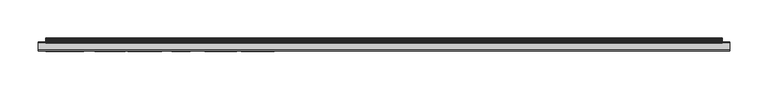
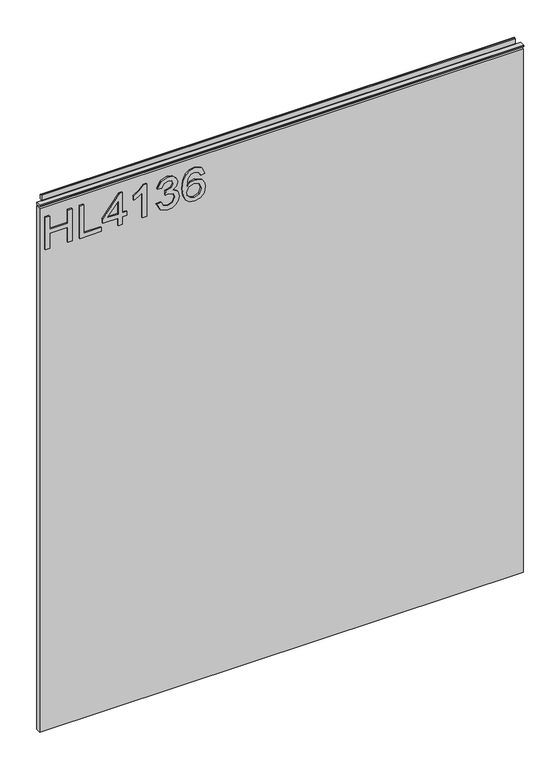
"""IFC4 building model written with IfcOpenShell, lengths in millimetres: furniture geometry."""

from ifc_helpers import new_model, si_unit, frame, origin, place, context, project, spatial, polyline, outline, extrude, source, transform, mapped, element, save


def furniture_76dd86c1(model_context):
    return source(origin(), model_context, "Body", "SweptSolid", [
        extrude(outline(polyline([(1053.0078, -288.5795281), (1053.0078, -280.6058085), (1082.9092486, -280.6058085), (1082.9092486, -246.7175001), (1053.0078, -246.7175001), (1053.0078, -238.7437805), (1116.7975569, -238.7437805), (1116.7975569, -246.7175001), (1090.8829682, -246.7175001), (1090.8829682, -280.6058085), (1116.7975569, -280.6058085), (1116.7975569, -288.5795281), (1053.0078, -288.5795281)])), frame((0.0, -5.6037602, 0.0), z_axis=(0.0, 1.0, 0.0), x_axis=(0.0, 0.0, 1.0)), (0.0, 0.0, 1.0), 2.38125),
        extrude(outline(polyline([(1053.0078, -224.7897712), (1053.0078, -184.9211731), (1060.9815196, -184.9211731), (1060.9815196, -216.8160515), (1116.7975569, -216.8160515), (1116.7975569, -224.7897712), (1053.0078, -224.7897712)])), frame((0.0, -5.6037602, 0.0), z_axis=(0.0, 1.0, 0.0), x_axis=(0.0, 0.0, 1.0)), (0.0, 0.0, 1.0), 2.38125),
        extrude(outline(polyline([(1053.0078, -153.0262946), (1053.0078, -145.052575), (1067.9585243, -145.052575), (1067.9585243, -137.0788554), (1075.9322439, -137.0788554), (1075.9322439, -145.052575), (1115.800842, -145.052575), (1115.800842, -151.0328647), (1075.9322439, -181.9310282), (1067.9585243, -181.9310282), (1067.9585243, -153.0262946), (1053.0078, -153.0262946)]), holes=[polyline([(1075.9322439, -153.0262946), (1075.9322439, -172.1196154), (1100.5697916, -153.0262946), (1075.9322439, -153.0262946)])]), frame((0.0, -5.6037602, 0.0), z_axis=(0.0, 1.0, 0.0), x_axis=(0.0, 0.0, 1.0)), (0.0, 0.0, 1.0), 2.38125),
        extrude(outline(polyline([(1053.0078, -100.2004021), (1116.7975569, -100.2004021), (1116.7975569, -105.3397136), (1108.3099062, -112.4335208), (1100.8501177, -124.121561), (1093.3124609, -124.121561), (1097.3382549, -115.7273522), (1102.7189582, -108.1741217), (1053.0078, -108.1741217), (1053.0078, -100.2004021)])), frame((0.0, -5.6037602, 0.0), z_axis=(0.0, 1.0, 0.0), x_axis=(0.0, 0.0, 1.0)), (0.0, 0.0, 1.0), 2.38125),
        extrude(outline(polyline([(1069.9519542, -81.262818), (1057.0102335, -74.9243339), (1052.011085, -60.9391772), (1053.4750101, -52.4164857), (1057.8667854, -45.5056691), (1064.3610063, -40.9270098), (1072.1322681, -39.40079), (1082.5043331, -42.4532296), (1087.955118, -51.1433381), (1093.2345925, -44.6023962), (1100.5853653, -42.3909349), (1108.6291664, -44.7191987), (1114.6094562, -51.4470246), (1116.7975569, -61.0637666), (1112.3590607, -73.7407349), (1099.8534028, -80.2661031), (1098.8566878, -72.2923835), (1106.3320499, -68.383392), (1108.8238373, -60.7834405), (1106.3554105, -53.276931), (1100.1181552, -50.3646545), (1093.0788558, -54.3826617), (1090.8829682, -64.7080056), (1082.9092486, -65.5957049), (1083.7813742, -60.0047569), (1080.51869, -50.9408803), (1072.2724312, -47.3745096), (1063.520028, -50.9720277), (1059.9848047, -60.6588511), (1062.5544604, -68.8895363), (1070.9486691, -73.2890984), (1069.9519542, -81.262818)])), frame((0.0, -5.6037602, 0.0), z_axis=(0.0, 1.0, 0.0), x_axis=(0.0, 0.0, 1.0)), (0.0, 0.0, 1.0), 2.38125),
        extrude(outline(polyline([(1099.8534028, 8.4415277), (1112.296766, 2.55468), (1116.7975569, -10.04442), (1114.9793308, -19.299074), (1109.5246525, -26.4434956), (1098.6659103, -31.6762491), (1082.7846592, -33.4205003), (1068.6593395, -31.8495062), (1059.1749738, -27.136524), (1053.8020572, -19.9317544), (1052.011085, -10.8853982), (1054.713117, -0.4354649), (1062.4999526, 6.8062922), (1073.5027512, 9.4382426), (1081.6750351, 8.0405056), (1088.1887231, 3.8472947), (1093.873113, -9.7017992), (1091.7940279, -18.4152682), (1085.4321833, -25.4467807), (1099.6431582, -23.1808115), (1106.8927021, -17.7378135), (1108.8238373, -10.5427774), (1105.5066454, -2.5534841), (1098.8566878, 0.4678081), (1099.8534028, 8.4415277)]), holes=[polyline([(1073.6273406, -25.4467807), (1082.51212, -21.4832814), (1085.8993934, -11.8353921), (1082.51212, -2.0629135), (1073.2379988, 1.464523), (1063.5511754, -2.1096345), (1059.9848047, -11.508345), (1061.7056953, -18.6955943), (1066.7204174, -23.6013007), (1073.6273406, -25.4467807)])]), frame((0.0, -5.6037602, 0.0), z_axis=(0.0, 1.0, 0.0), x_axis=(0.0, 0.0, 1.0)), (0.0, 0.0, 1.0), 2.38125),
        extrude(outline(polyline([(5.5562561, 1143.0), (6.3500061, 1143.0), (6.3500061, 1152.87425), (7.1437561, 1153.668), (8.6677569, 1153.668), (10.0084363, 1153.2506926), (10.875413, 1152.1461816), (10.9623604, 1150.7447591), (10.2390011, 1147.7863459), (10.4046103, 1146.5833307), (11.6746103, 1144.3836103), (10.7786383, 1143.8663244), (7.1437561, 1143.8663244), (7.1437561, 1143.0), (6.3500061, 1142.7669239), (6.3500061, 1135.5578), (5.5562561, 1135.5578), (5.5562561, 1143.0)])), frame((-288.671, 0.0, 0.0), z_axis=(1.0, 0.0, 0.0), x_axis=(0.0, 1.0, 0.0)), (0.0, 0.0, 1.0), 882.142),
        extrude(outline(polyline([(5.5562561, 1143.0), (5.5562561, 1139.8249996), (-3.975094, 1139.8249996), (-5.3492339, 1140.6183657), (-5.3492339, 1142.2066395), (-3.9751037, 1143.0), (5.5562561, 1143.0)])), frame((-298.196, 0.0, 0.0), z_axis=(1.0, 0.0, 0.0), x_axis=(0.0, 1.0, 0.0)), (0.0, 0.0, 1.0), 901.192),
        extrude(outline(polyline([(602.996, 6.3500061), (602.996, -3.1749939), (-298.196, -3.1749939), (-298.196, 6.3500061), (602.996, 6.3500061)])), frame((0.0, 0.0, 104.69626), z_axis=(0.0, 0.0, 1.0), x_axis=(1.0, 0.0, 0.0)), (0.0, 0.0, 1.0), 1030.86154),
    ])


if __name__ == "__main__":
    model = new_model("IFC4")
    model_context = context("Model", 3, world=origin())
    ifc_project = project(units=[si_unit("LENGTHUNIT", "METRE", prefix="MILLI")], contexts=[model_context])
    site = spatial("IfcSite", under=ifc_project)
    building = spatial("IfcBuilding", under=site)
    placement = place(None, origin())
    furniture_shape = furniture_76dd86c1(model_context)
    element("IfcFurniture", 1, at=placement, inside=building, context=model_context, shape_type="MappedRepresentation", body=[
        mapped(furniture_shape, transform((0.0, 0.0, 0.0), x_axis=(1.0, 0.0, 0.0), y_axis=(0.0, 1.0, 0.0), z_axis=(0.0, 0.0, 1.0))),
    ])
    save(model, "model.ifc")
